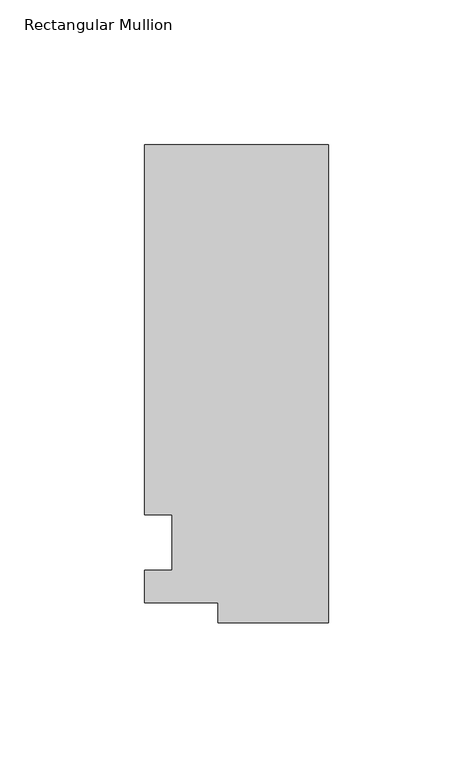
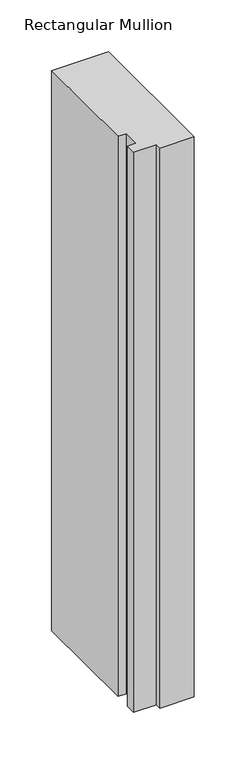
"""IFC4 building model written with IfcOpenShell, lengths in millimetres: member geometry, Rectangular Mullion."""

from ifc_helpers import new_model, si_unit, frame, origin, place, context, project, spatial, polyline, outline, extrude, source, transform, mapped, element, save


def rectangular_mullion_fd3598f2(model_context):
    return source(origin(), model_context, "Body", "SweptSolid", [
        extrude(outline(polyline([(-38.1, -32.54375), (-38.1, -25.58415), (-63.5, -25.58415), (-63.5, -14.2875), (-53.975, -14.2875), (-53.975, 4.7625), (-63.5, 4.7625), (-63.5, 132.55625), (0.0, 132.55625), (0.0, -32.54375), (-38.1, -32.54375)])), frame((0.0, 0.0, -660.4), z_axis=(0.0, 0.0, 1.0), x_axis=(1.0, 0.0, 0.0)), (0.0, 0.0, 1.0), 660.4),
    ])


if __name__ == "__main__":
    model = new_model("IFC4")
    model_context = context("Model", 3, world=origin())
    ifc_project = project(units=[si_unit("LENGTHUNIT", "METRE", prefix="MILLI")], contexts=[model_context])
    site = spatial("IfcSite", under=ifc_project)
    building = spatial("IfcBuilding", under=site)
    placement = place(None, origin())
    rectangular_mullion_shape = rectangular_mullion_fd3598f2(model_context)
    element("IfcMember", 1, ObjectType="Rectangular Mullion", at=placement, inside=building, context=model_context, shape_type="MappedRepresentation", body=[
        mapped(rectangular_mullion_shape, transform((0.0, 0.0, 0.0), x_axis=(1.0, 0.0, 0.0), y_axis=(0.0, 1.0, 0.0), z_axis=(0.0, 0.0, 1.0))),
    ])
    save(model, "model.ifc")
